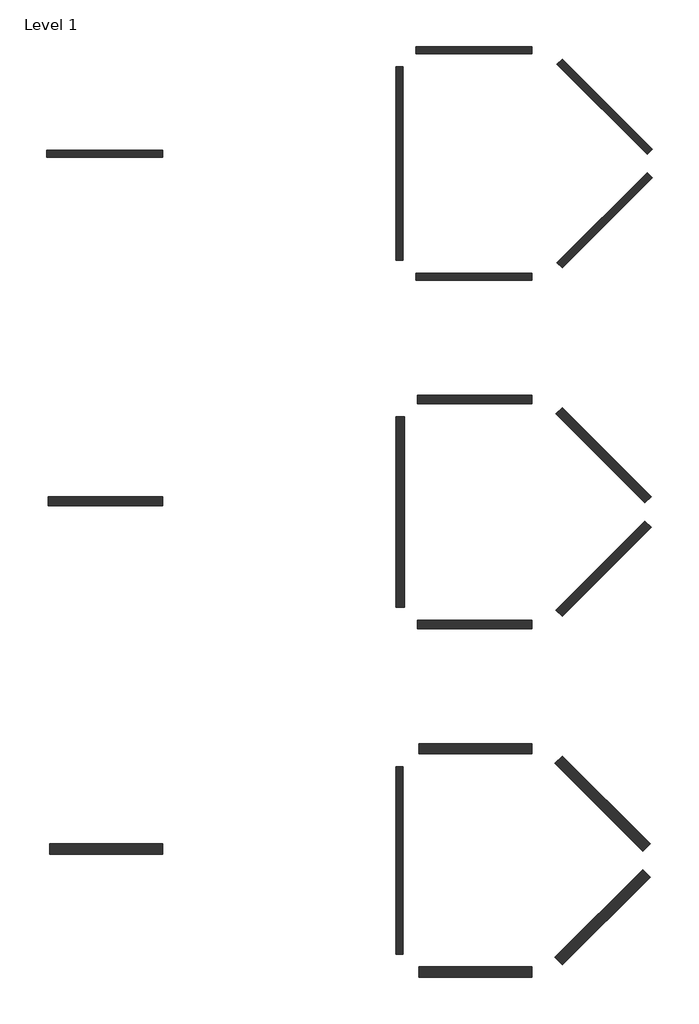
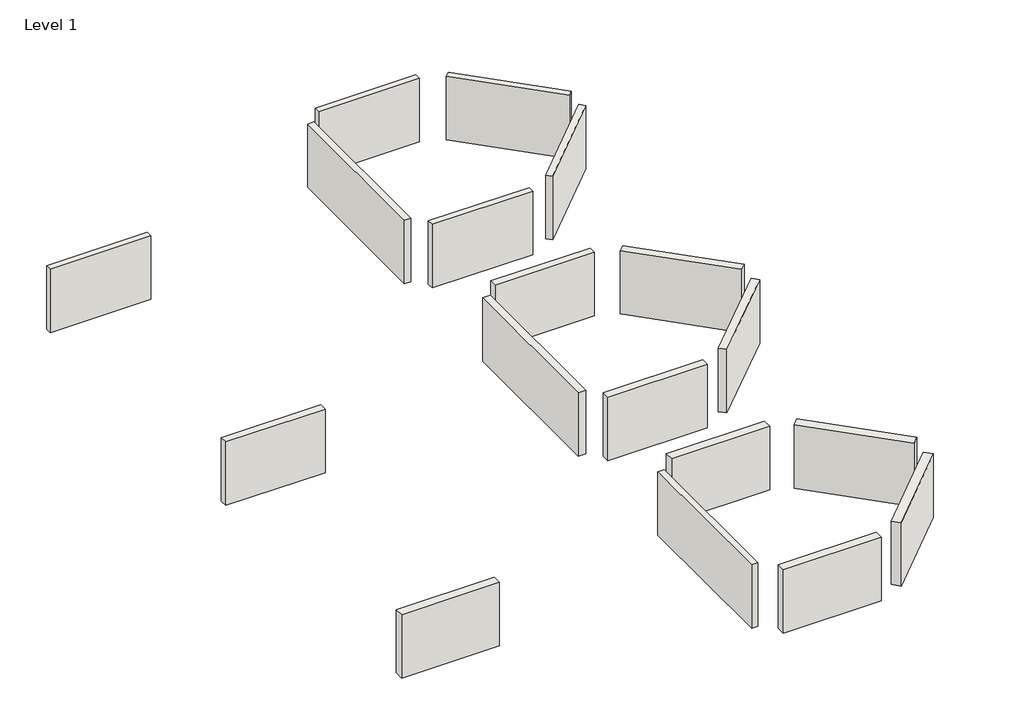
# One storey: 18 walls.
"""IFC4 building model written with IfcOpenShell, lengths in millimetres."""

from ifc_helpers import new_model, si_unit, origin, origin_with_axes, place, context, project, spatial, polyline, outline, extrude, element, save

model = new_model("IFC4")

# Units and contexts
model_context = context("Model", 3, world=origin())
ifc_project = project(units=[si_unit("LENGTHUNIT", "METRE", prefix="MILLI")], contexts=[model_context])

# Site, building, storey
site = spatial("IfcSite", under=ifc_project)
building = spatial("IfcBuilding", under=site)
storey = spatial("IfcBuildingStorey", under=building, Name="Level 1", Elevation=0.0)

# Walls
placement = place(None, origin())
element("IfcWall", 1, ObjectType="BB-400 4\" Blank Wall", at=placement, inside=storey, context=model_context, shape_type="SweptSolid", body=[
    extrude(outline(polyline([(-1130.2701176, 2909.1367059), (2527.3298824, 2909.1367059), (2527.3298824, 2680.5367059), (-1130.2701176, 2680.5367059), (-1130.2701176, 2909.1367059)])), origin_with_axes(), (0.0, 0.0, 1.0), 2438.4),
])
element("IfcWall", 2, ObjectType="BB-400 4\" Blank Wall", at=placement, inside=storey, context=model_context, shape_type="SweptSolid", body=[
    extrude(outline(polyline([(-1765.2701176, -3821.8632941), (-1765.2701176, 2274.1367059), (-1536.6701176, 2274.1367059), (-1536.6701176, -3821.8632941), (-1765.2701176, -3821.8632941)])), origin_with_axes(), (0.0, 0.0, 1.0), 2438.4),
])
element("IfcWall", 3, ObjectType="BB-400 4\" Blank Wall", at=placement, inside=storey, context=model_context, shape_type="SweptSolid", body=[
    extrude(outline(polyline([(2527.3298824, -4456.8632941), (-1130.2701176, -4456.8632941), (-1130.2701176, -4228.2632941), (2527.3298824, -4228.2632941), (2527.3298824, -4456.8632941)])), origin_with_axes(), (0.0, 0.0, 1.0), 2438.4),
])
element("IfcWall", 4, ObjectType="BB-400 4\" Blank Wall", at=placement, inside=storey, context=model_context, shape_type="SweptSolid", body=[
    extrude(outline(polyline([(6320.1170763, -1222.8761002), (3481.2611517, -4061.7320248), (3319.6165415, -3900.0874146), (6158.4724661, -1061.23149), (6320.1170763, -1222.8761002)])), origin_with_axes(), (0.0, 0.0, 1.0), 2438.4),
])
element("IfcWall", 5, ObjectType="BB-400 4\" Blank Wall", at=placement, inside=storey, context=model_context, shape_type="SweptSolid", body=[
    extrude(outline(polyline([(6158.4724661, -486.4950982), (3319.6165415, 2352.3608264), (3481.2611517, 2514.0054366), (6320.1170763, -324.8504881), (6158.4724661, -486.4950982)])), origin_with_axes(), (0.0, 0.0, 1.0), 2438.4),
])
element("IfcWall", 6, ObjectType="BB-400 4\" Blank Wall", at=placement, inside=storey, context=model_context, shape_type="SweptSolid", body=[
    extrude(outline(polyline([(-1765.2701176, -25665.8632941), (-1765.2701176, -19773.0632941), (-1536.6701176, -19773.0632941), (-1536.6701176, -25665.8632941), (-1765.2701176, -25665.8632941)])), origin_with_axes(), (0.0, 0.0, 1.0), 2438.4),
])
element("IfcWall", 7, ObjectType="BB-400 4\" Blank Wall", at=placement, inside=storey, context=model_context, shape_type="SweptSolid", body=[
    extrude(outline(polyline([(-9111.0820506, -577.3926498), (-12768.6820506, -577.3926498), (-12768.6820506, -348.7926498), (-9111.0820506, -348.7926498), (-9111.0820506, -577.3926498)])), origin_with_axes(), (0.0, 0.0, 1.0), 2438.4),
])
element("IfcWall", 8, ObjectType="BB-600 6\" Blank Wall", at=placement, inside=storey, context=model_context, shape_type="SweptSolid", body=[
    extrude(outline(polyline([(-1079.4701176, -8063.6632941), (2527.3298824, -8063.6632941), (2527.3298824, -8343.0632941), (-1079.4701176, -8343.0632941), (-1079.4701176, -8063.6632941)])), origin_with_axes(), (0.0, 0.0, 1.0), 2438.4),
])
element("IfcWall", 9, ObjectType="BB-600 6\" Blank Wall", at=placement, inside=storey, context=model_context, shape_type="SweptSolid", body=[
    extrude(outline(polyline([(-1765.2701176, -14743.8632941), (-1765.2701176, -8749.4632941), (-1485.8701176, -8749.4632941), (-1485.8701176, -14743.8632941), (-1765.2701176, -14743.8632941)])), origin_with_axes(), (0.0, 0.0, 1.0), 2438.4),
])
element("IfcWall", 10, ObjectType="BB-600 6\" Blank Wall", at=placement, inside=storey, context=model_context, shape_type="SweptSolid", body=[
    extrude(outline(polyline([(2527.3298824, -15429.6632941), (-1079.4701176, -15429.6632941), (-1079.4701176, -15150.2632941), (2527.3298824, -15150.2632941), (2527.3298824, -15429.6632941)])), origin_with_axes(), (0.0, 0.0, 1.0), 2438.4),
])
element("IfcWall", 11, ObjectType="BB-600 6\" Blank Wall", at=placement, inside=storey, context=model_context, shape_type="SweptSolid", body=[
    extrude(outline(polyline([(6284.1960518, -12231.5971247), (3481.2611517, -15034.5320248), (3283.695517, -14836.9663901), (6086.6304172, -12034.03149), (6284.1960518, -12231.5971247)])), origin_with_axes(), (0.0, 0.0, 1.0), 2438.4),
])
element("IfcWall", 12, ObjectType="BB-600 6\" Blank Wall", at=placement, inside=storey, context=model_context, shape_type="SweptSolid", body=[
    extrude(outline(polyline([(6086.6304172, -11459.2950982), (3283.695517, -8656.3601981), (3481.2611517, -8458.7945634), (6284.1960518, -11261.7294636), (6086.6304172, -11459.2950982)])), origin_with_axes(), (0.0, 0.0, 1.0), 2438.4),
])
element("IfcWall", 13, ObjectType="BB-600 6\" Blank Wall", at=placement, inside=storey, context=model_context, shape_type="SweptSolid", body=[
    extrude(outline(polyline([(-9111.0820506, -11550.1926498), (-12717.8820506, -11550.1926498), (-12717.8820506, -11270.7926498), (-9111.0820506, -11270.7926498), (-9111.0820506, -11550.1926498)])), origin_with_axes(), (0.0, 0.0, 1.0), 2438.4),
])
element("IfcWall", 14, ObjectType="BB-800 8\" Blank Wall", at=placement, inside=storey, context=model_context, shape_type="SweptSolid", body=[
    extrude(outline(polyline([(-1028.6701176, -19036.4632941), (2527.3298824, -19036.4632941), (2527.3298824, -19366.6632941), (-1028.6701176, -19366.6632941), (-1028.6701176, -19036.4632941)])), origin_with_axes(), (0.0, 0.0, 1.0), 2438.4),
])
element("IfcWall", 15, ObjectType="BB-800 8\" Blank Wall", at=placement, inside=storey, context=model_context, shape_type="SweptSolid", body=[
    extrude(outline(polyline([(2527.3298824, -26402.4632941), (-1028.6701176, -26402.4632941), (-1028.6701176, -26072.2632941), (2527.3298824, -26072.2632941), (2527.3298824, -26402.4632941)])), origin_with_axes(), (0.0, 0.0, 1.0), 2438.4),
])
element("IfcWall", 16, ObjectType="BB-800 8\" Blank Wall", at=placement, inside=storey, context=model_context, shape_type="SweptSolid", body=[
    extrude(outline(polyline([(6248.2750273, -23240.3181491), (3481.3489455, -26007.244231), (3247.8622863, -25773.7575719), (6014.7883682, -23006.83149), (6248.2750273, -23240.3181491)])), origin_with_axes(), (0.0, 0.0, 1.0), 2438.4),
])
element("IfcWall", 17, ObjectType="BB-800 8\" Blank Wall", at=placement, inside=storey, context=model_context, shape_type="SweptSolid", body=[
    extrude(outline(polyline([(6014.7883682, -22432.0950982), (3247.8622863, -19665.1690164), (3481.3489455, -19431.6823572), (6248.2750273, -22198.6084391), (6014.7883682, -22432.0950982)])), origin_with_axes(), (0.0, 0.0, 1.0), 2438.4),
])
element("IfcWall", 18, ObjectType="BB-800 8\" Blank Wall", at=placement, inside=storey, context=model_context, shape_type="SweptSolid", body=[
    extrude(outline(polyline([(-9111.0820506, -22522.9926498), (-12667.0820506, -22522.9926498), (-12667.0820506, -22192.7926498), (-9111.0820506, -22192.7926498), (-9111.0820506, -22522.9926498)])), origin_with_axes(), (0.0, 0.0, 1.0), 2438.4),
])

save(model, "model.ifc")
